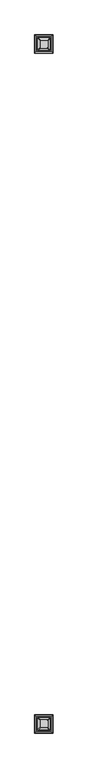
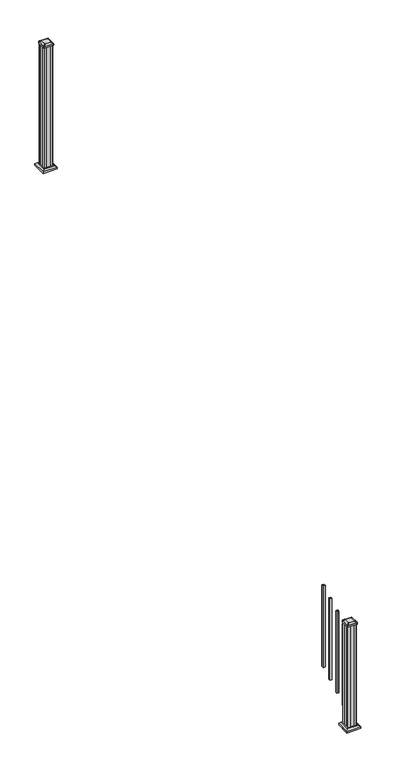
"""IFC4 building model written with IfcOpenShell, lengths in millimetres: railing geometry."""

from ifc_helpers import new_model, si_unit, point, frame, frame_2d, origin, place, context, project, spatial, polyline, circle_curve, trimmed, segment, composite_curve, outline, extrude, faceted_brep, source, transform, mapped, element, save
from ifc_brep_helpers import plane_surface, extruded_surface, advanced_brep


def railing_2ea7d256(model_context):
    return source(origin(), model_context, "Body", "SolidModel", [
        extrude(outline(polyline([(10350.3192659, 2155.5355319), (10331.2692659, 2155.5355319), (10331.2692659, 2174.5855319), (10350.3192659, 2174.5855319), (10350.3192659, 2155.5355319)]), holes=[polyline([(10349.9223909, 2155.9324069), (10349.9223909, 2174.1886569), (10331.6661409, 2174.1886569), (10331.6661409, 2155.9324069), (10349.9223909, 2155.9324069)])]), frame((0.0, 0.0, 485.4181003), z_axis=(0.0, 0.0, 1.0), x_axis=(1.0, 0.0, 0.0)), (0.0, 0.0, 1.0), 812.8041219),
        extrude(outline(polyline([(10350.3192659, 2044.2835319), (10331.2692659, 2044.2835319), (10331.2692659, 2063.3335319), (10350.3192659, 2063.3335319), (10350.3192659, 2044.2835319)]), holes=[polyline([(10349.9223909, 2044.6804069), (10349.9223909, 2062.9366569), (10331.6661409, 2062.9366569), (10331.6661409, 2044.6804069), (10349.9223909, 2044.6804069)])]), frame((0.0, 0.0, 423.6114336), z_axis=(0.0, 0.0, 1.0), x_axis=(1.0, 0.0, 0.0)), (0.0, 0.0, 1.0), 812.8041219),
        extrude(outline(polyline([(10350.3192659, 1933.0315319), (10331.2692659, 1933.0315319), (10331.2692659, 1952.0815319), (10350.3192659, 1952.0815319), (10350.3192659, 1933.0315319)]), holes=[polyline([(10349.9223909, 1933.4284069), (10349.9223909, 1951.6846569), (10331.6661409, 1951.6846569), (10331.6661409, 1933.4284069), (10349.9223909, 1933.4284069)])]), frame((0.0, 0.0, 361.804767), z_axis=(0.0, 0.0, 1.0), x_axis=(1.0, 0.0, 0.0)), (0.0, 0.0, 1.0), 812.8041219),
        extrude(outline(polyline([(10350.3192659, 1821.7795319), (10331.2692659, 1821.7795319), (10331.2692659, 1840.8295319), (10350.3192659, 1840.8295319), (10350.3192659, 1821.7795319)]), holes=[polyline([(10349.9223909, 1822.1764069), (10349.9223909, 1840.4326569), (10331.6661409, 1840.4326569), (10331.6661409, 1822.1764069), (10349.9223909, 1822.1764069)])]), frame((0.0, 0.0, 299.9981003), z_axis=(0.0, 0.0, 1.0), x_axis=(1.0, 0.0, 0.0)), (0.0, 0.0, 1.0), 812.8041219),
        extrude(outline(polyline([(10301.1067659, 6655.9075319), (10299.5192659, 6657.4950319), (10299.5192659, 6677.1165319), (10301.1067659, 6677.8785319), (10301.1067659, 6716.4865319), (10299.5192659, 6717.2485319), (10299.5192659, 6736.8700319), (10301.1067659, 6738.4575319), (10320.7282659, 6738.4575319), (10321.4902659, 6736.8700319), (10360.0982659, 6736.8700319), (10360.8602659, 6738.4575319), (10380.4817659, 6738.4575319), (10382.0692659, 6736.8700319), (10382.0692659, 6717.2485319), (10380.4817659, 6716.4865319), (10380.4817659, 6677.8785319), (10382.0692659, 6677.1165319), (10382.0692659, 6657.4950319), (10380.4817659, 6655.9075319), (10360.8602659, 6655.9075319), (10360.0982659, 6657.4950319), (10321.4902659, 6657.4950319), (10320.7282659, 6655.9075319), (10301.1067659, 6655.9075319)])), frame((0.0, 0.0, 2709.3333333), z_axis=(0.0, 0.0, 1.0), x_axis=(1.0, 0.0, 0.0)), (0.0, 0.0, 1.0), 1223.6987075),
        faceted_brep([(10393.3802034, 6644.5965944, 2737.9083333), (10393.3802034, 6749.7684694, 2737.9083333), (10288.2083284, 6749.7684694, 2737.9083333), (10288.2083284, 6644.5965944, 2737.9083333), (10407.4196565, 6630.5571413, 2724.5733333), (10274.1688753, 6630.5571413, 2724.5733333), (10274.1688753, 6763.8079225, 2724.5733333), (10407.4196565, 6763.8079225, 2724.5733333)], [[[0, 1, 2, 3]], [[4, 5, 6, 7]], [[4, 0, 3, 5]], [[5, 3, 2, 6]], [[6, 2, 1, 7]], [[7, 1, 0, 4]]]),
        extrude(outline(polyline([(10407.4196565, 6630.5571413), (10274.1688753, 6630.5571413), (10274.1688753, 6763.8079225), (10407.4196565, 6763.8079225), (10407.4196565, 6630.5571413)])), frame((0.0, 0.0, 2709.3333333), z_axis=(0.0, 0.0, 1.0), x_axis=(1.0, 0.0, 0.0)), (0.0, 0.0, 1.0), 15.24),
        advanced_brep(
        [(10314.9973909, 6668.2106569, 3961.6070408), (10366.5911409, 6668.2106569, 3961.6070408), (10369.7661409, 6671.3856569, 3961.6070408), (10369.7661409, 6722.9794069, 3961.6070408), (10366.5911409, 6726.1544069, 3961.6070408), (10314.9973909, 6726.1544069, 3961.6070408), (10311.8223909, 6722.9794069, 3961.6070408), (10311.8223909, 6671.3856569, 3961.6070408), (10298.7255159, 6651.9387819, 3950.3040408), (10295.5505159, 6655.1137819, 3950.3040408), (10295.5505159, 6739.2512819, 3950.3040408), (10298.7255159, 6742.4262819, 3950.3040408), (10382.8630159, 6742.4262819, 3950.3040408), (10386.0380159, 6739.2512819, 3950.3040408), (10386.0380159, 6655.1137819, 3950.3040408), (10382.8630159, 6651.9387819, 3950.3040408)],
        [
            (0, 1),
            (1, 2, circle_curve(frame((10366.5911409, 6671.3856569, 3961.6070408), z_axis=(0.0, 0.0, 1.0), x_axis=(0.0, 1.0, 0.0)), 3.175)),
            (2, 3),
            (3, 4, circle_curve(frame((10366.5911409, 6722.9794069, 3961.6070408), z_axis=(0.0, 0.0, 1.0), x_axis=(0.0, 1.0, 0.0)), 3.175)),
            (4, 5),
            (5, 6, circle_curve(frame((10314.9973909, 6722.9794069, 3961.6070408), z_axis=(0.0, 0.0, 1.0), x_axis=(0.0, 1.0, 0.0)), 3.175)),
            (6, 7),
            (7, 0, circle_curve(frame((10314.9973909, 6671.3856569, 3961.6070408), z_axis=(0.0, 0.0, 1.0), x_axis=(0.0, 1.0, 0.0)), 3.175)),
            (8, 9, circle_curve(frame((10298.7255159, 6655.1137819, 3950.3040408), z_axis=(0.0, 0.0, -1.0), x_axis=(0.0, 1.0, 0.0)), 3.175)),
            (9, 10),
            (10, 11, circle_curve(frame((10298.7255159, 6739.2512819, 3950.3040408), z_axis=(0.0, 0.0, -1.0), x_axis=(0.0, 1.0, 0.0)), 3.175)),
            (11, 12),
            (12, 13, circle_curve(frame((10382.8630159, 6739.2512819, 3950.3040408), z_axis=(0.0, 0.0, -1.0), x_axis=(0.0, 1.0, 0.0)), 3.175)),
            (13, 14),
            (14, 15, circle_curve(frame((10382.8630159, 6655.1137819, 3950.3040408), z_axis=(0.0, 0.0, -1.0), x_axis=(0.0, 1.0, 0.0)), 3.175)),
            (15, 8),
            (8, 0),
            (7, 9),
            (6, 10),
            (5, 11),
            (4, 12),
            (3, 13),
            (2, 14),
            (1, 15),
        ],
        [
            plane_surface(frame((10340.7942659, 6697.1825319, 3961.6070408), z_axis=(0.0, 0.0, 1.0), x_axis=(-1.0, 0.0, 0.0))),
            plane_surface(frame((10340.7942659, 6697.1825319, 3950.3040408), z_axis=(0.0, 0.0, -1.0), x_axis=(-1.0, 0.0, 0.0))),
            extruded_surface(trimmed(circle_curve(frame((10314.9973909, 6671.3856569, 3961.6070408), z_axis=(0.0, 0.0, -1.0), x_axis=(0.0, 1.0, 0.0)), 3.175), [point((10314.9973909, 6668.2106569, 3961.6070408))], [point((10311.8223909, 6671.3856569, 3961.6070408))], True, "CARTESIAN"), (-16.271875000000364, -16.271875000000364, -11.302999999999884), 25.63797263886657),
            plane_surface(frame((10295.5505159, 6697.1825319, 3950.3040408), z_axis=(-0.5705009161540686, 0.0, 0.8212969649690474), x_axis=(0.0, 1.0, 0.0))),
            extruded_surface(trimmed(circle_curve(frame((10314.9973909, 6722.9794069, 3961.6070408), z_axis=(0.0, 0.0, -1.0), x_axis=(0.0, 1.0, 0.0)), 3.175), [point((10311.8223909, 6722.9794069, 3961.6070408))], [point((10314.9973909, 6726.1544069, 3961.6070408))], True, "CARTESIAN"), (-16.271875000000364, 16.271875000000364, -11.302999999999884), 25.63797263886657),
            plane_surface(frame((10340.7942659, 6742.4262819, 3950.3040408), z_axis=(0.0, 0.5705009161540291, 0.8212969649690747), x_axis=(1.0, 0.0, 0.0))),
            extruded_surface(trimmed(circle_curve(frame((10366.5911409, 6722.9794069, 3961.6070408), z_axis=(0.0, 0.0, -1.0), x_axis=(0.0, 1.0, 0.0)), 3.175), [point((10366.5911409, 6726.1544069, 3961.6070408))], [point((10369.7661409, 6722.9794069, 3961.6070408))], True, "CARTESIAN"), (16.271875000000364, 16.271875000000364, -11.302999999999884), 25.63797263886657),
            plane_surface(frame((10386.0380159, 6697.1825319, 3950.3040408), z_axis=(0.5705009161540234, 0.0, 0.8212969649690787), x_axis=(0.0, -1.0, 0.0))),
            extruded_surface(trimmed(circle_curve(frame((10366.5911409, 6671.3856569, 3961.6070408), z_axis=(0.0, 0.0, -1.0), x_axis=(0.0, 1.0, 0.0)), 3.175), [point((10369.7661409, 6671.3856569, 3961.6070408))], [point((10366.5911409, 6668.2106569, 3961.6070408))], True, "CARTESIAN"), (16.271875000000364, -16.271875000000364, -11.302999999999884), 25.63797263886657),
            plane_surface(frame((10340.7942659, 6651.9387819, 3950.3040408), z_axis=(0.0, -0.570500916154034, 0.8212969649690713), x_axis=(-1.0, 0.0, 0.0))),
        ],
        [
            (0, [[1, 2, 3, 4, 5, 6, 7, 8]]),
            (1, [[9, 10, 11, 12, 13, 14, 15, 16]]),
            (2, [[17, -8, 18, -9]]),
            (3, [[-18, -7, 19, -10]]),
            (4, [[-19, -6, 20, -11]]),
            (5, [[-20, -5, 21, -12]]),
            (6, [[-21, -4, 22, -13]]),
            (7, [[-22, -3, 23, -14]]),
            (8, [[-23, -2, 24, -15]]),
            (9, [[-24, -1, -17, -16]]),
        ],
    ),
        extrude(outline(composite_curve([segment(trimmed(circle_curve(frame_2d((10298.7255159, 6655.1137819)), 3.175), [point((10298.7255159, 6651.9387819))], [point((10295.5505159, 6655.1137819))], False, "CARTESIAN"), True, "CONTINUOUS"), segment(polyline([(10295.5505159, 6655.1137819), (10295.5505159, 6739.2512819)]), True, "CONTINUOUS"), segment(trimmed(circle_curve(frame_2d((10298.7255159, 6739.2512819)), 3.175), [point((10295.5505159, 6739.2512819))], [point((10298.7255159, 6742.4262819))], False, "CARTESIAN"), True, "CONTINUOUS"), segment(polyline([(10298.7255159, 6742.4262819), (10382.8630159, 6742.4262819)]), True, "CONTINUOUS"), segment(trimmed(circle_curve(frame_2d((10382.8630159, 6739.2512819)), 3.175), [point((10382.8630159, 6742.4262819))], [point((10386.0380159, 6739.2512819))], False, "CARTESIAN"), True, "CONTINUOUS"), segment(polyline([(10386.0380159, 6739.2512819), (10386.0380159, 6655.1137819)]), True, "CONTINUOUS"), segment(trimmed(circle_curve(frame_2d((10382.8630159, 6655.1137819)), 3.175), [point((10386.0380159, 6655.1137819))], [point((10382.8630159, 6651.9387819))], False, "CARTESIAN"), True, "CONTINUOUS"), segment(polyline([(10382.8630159, 6651.9387819), (10298.7255159, 6651.9387819)]), True, "CONTINUOUS")], self_intersect=False)), frame((0.0, 0.0, 3933.0320408), z_axis=(0.0, 0.0, 1.0), x_axis=(1.0, 0.0, 0.0)), (0.0, 0.0, 1.0), 17.272),
        faceted_brep([(10393.3802034, 1684.9925944, 174.9072222), (10393.3802034, 1790.1644694, 174.9072222), (10288.2083284, 1790.1644694, 174.9072222), (10288.2083284, 1684.9925944, 174.9072222), (10407.4196565, 1670.9531413, 161.5722222), (10274.1688753, 1670.9531413, 161.5722222), (10274.1688753, 1804.2039225, 161.5722222), (10407.4196565, 1804.2039225, 161.5722222)], [[[0, 1, 2, 3]], [[4, 5, 6, 7]], [[4, 0, 3, 5]], [[5, 3, 2, 6]], [[6, 2, 1, 7]], [[7, 1, 0, 4]]]),
        extrude(outline(polyline([(10407.4196565, 1670.9531413), (10274.1688753, 1670.9531413), (10274.1688753, 1804.2039225), (10407.4196565, 1804.2039225), (10407.4196565, 1670.9531413)])), frame((0.0, 0.0, 146.3322222), z_axis=(0.0, 0.0, 1.0), x_axis=(1.0, 0.0, 0.0)), (0.0, 0.0, 1.0), 15.24),
        advanced_brep(
        [(10314.9973909, 1708.6066569, 1206.2714852), (10366.5911409, 1708.6066569, 1206.2714852), (10369.7661409, 1711.7816569, 1206.2714852), (10369.7661409, 1763.3754069, 1206.2714852), (10366.5911409, 1766.5504069, 1206.2714852), (10314.9973909, 1766.5504069, 1206.2714852), (10311.8223909, 1763.3754069, 1206.2714852), (10311.8223909, 1711.7816569, 1206.2714852), (10298.7255159, 1692.3347819, 1194.9684852), (10295.5505159, 1695.5097819, 1194.9684852), (10295.5505159, 1779.6472819, 1194.9684852), (10298.7255159, 1782.8222819, 1194.9684852), (10382.8630159, 1782.8222819, 1194.9684852), (10386.0380159, 1779.6472819, 1194.9684852), (10386.0380159, 1695.5097819, 1194.9684852), (10382.8630159, 1692.3347819, 1194.9684852)],
        [
            (0, 1),
            (1, 2, circle_curve(frame((10366.5911409, 1711.7816569, 1206.2714852), z_axis=(0.0, 0.0, 1.0), x_axis=(0.0, 1.0, 0.0)), 3.175)),
            (2, 3),
            (3, 4, circle_curve(frame((10366.5911409, 1763.3754069, 1206.2714852), z_axis=(0.0, 0.0, 1.0), x_axis=(0.0, 1.0, 0.0)), 3.175)),
            (4, 5),
            (5, 6, circle_curve(frame((10314.9973909, 1763.3754069, 1206.2714852), z_axis=(0.0, 0.0, 1.0), x_axis=(0.0, 1.0, 0.0)), 3.175)),
            (6, 7),
            (7, 0, circle_curve(frame((10314.9973909, 1711.7816569, 1206.2714852), z_axis=(0.0, 0.0, 1.0), x_axis=(0.0, 1.0, 0.0)), 3.175)),
            (8, 9, circle_curve(frame((10298.7255159, 1695.5097819, 1194.9684852), z_axis=(0.0, 0.0, -1.0), x_axis=(0.0, 1.0, 0.0)), 3.175)),
            (9, 10),
            (10, 11, circle_curve(frame((10298.7255159, 1779.6472819, 1194.9684852), z_axis=(0.0, 0.0, -1.0), x_axis=(0.0, 1.0, 0.0)), 3.175)),
            (11, 12),
            (12, 13, circle_curve(frame((10382.8630159, 1779.6472819, 1194.9684852), z_axis=(0.0, 0.0, -1.0), x_axis=(0.0, 1.0, 0.0)), 3.175)),
            (13, 14),
            (14, 15, circle_curve(frame((10382.8630159, 1695.5097819, 1194.9684852), z_axis=(0.0, 0.0, -1.0), x_axis=(0.0, 1.0, 0.0)), 3.175)),
            (15, 8),
            (8, 0),
            (7, 9),
            (6, 10),
            (5, 11),
            (4, 12),
            (3, 13),
            (2, 14),
            (1, 15),
        ],
        [
            plane_surface(frame((10340.7942659, 1737.5785319, 1206.2714852), z_axis=(0.0, 0.0, 1.0), x_axis=(-1.0, 0.0, 0.0))),
            plane_surface(frame((10340.7942659, 1737.5785319, 1194.9684852), z_axis=(0.0, 0.0, -1.0), x_axis=(-1.0, 0.0, 0.0))),
            extruded_surface(trimmed(circle_curve(frame((10314.9973909, 1711.7816569, 1206.2714852), z_axis=(0.0, 0.0, -1.0), x_axis=(0.0, 1.0, 0.0)), 3.175), [point((10314.9973909, 1708.6066569, 1206.2714852))], [point((10311.8223909, 1711.7816569, 1206.2714852))], True, "CARTESIAN"), (-16.271875000000364, -16.27187499999991, -11.302999999999884), 25.637972638866284),
            plane_surface(frame((10295.5505159, 1737.5785319, 1194.9684852), z_axis=(-0.5705009161540778, 0.0, 0.8212969649690408), x_axis=(0.0, 1.0, 0.0))),
            extruded_surface(trimmed(circle_curve(frame((10314.9973909, 1763.3754069, 1206.2714852), z_axis=(0.0, 0.0, -1.0), x_axis=(0.0, 1.0, 0.0)), 3.175), [point((10311.8223909, 1763.3754069, 1206.2714852))], [point((10314.9973909, 1766.5504069, 1206.2714852))], True, "CARTESIAN"), (-16.271875000000364, 16.271875000000136, -11.302999999999884), 25.637972638866426),
            plane_surface(frame((10340.7942659, 1782.8222819, 1194.9684852), z_axis=(0.0, 0.5705009161540291, 0.8212969649690747), x_axis=(1.0, 0.0, 0.0))),
            extruded_surface(trimmed(circle_curve(frame((10366.5911409, 1763.3754069, 1206.2714852), z_axis=(0.0, 0.0, -1.0), x_axis=(0.0, 1.0, 0.0)), 3.175), [point((10366.5911409, 1766.5504069, 1206.2714852))], [point((10369.7661409, 1763.3754069, 1206.2714852))], True, "CARTESIAN"), (16.271875000000364, 16.271875000000136, -11.302999999999884), 25.637972638866426),
            plane_surface(frame((10386.0380159, 1737.5785319, 1194.9684852), z_axis=(0.5705009161540142, 0.0, 0.8212969649690851), x_axis=(0.0, -1.0, 0.0))),
            extruded_surface(trimmed(circle_curve(frame((10366.5911409, 1711.7816569, 1206.2714852), z_axis=(0.0, 0.0, -1.0), x_axis=(0.0, 1.0, 0.0)), 3.175), [point((10369.7661409, 1711.7816569, 1206.2714852))], [point((10366.5911409, 1708.6066569, 1206.2714852))], True, "CARTESIAN"), (16.271875000000364, -16.27187499999991, -11.302999999999884), 25.637972638866284),
            plane_surface(frame((10340.7942659, 1692.3347819, 1194.9684852), z_axis=(0.0, -0.570500916154034, 0.8212969649690713), x_axis=(-1.0, 0.0, 0.0))),
        ],
        [
            (0, [[1, 2, 3, 4, 5, 6, 7, 8]]),
            (1, [[9, 10, 11, 12, 13, 14, 15, 16]]),
            (2, [[17, -8, 18, -9]]),
            (3, [[-18, -7, 19, -10]]),
            (4, [[-19, -6, 20, -11]]),
            (5, [[-20, -5, 21, -12]]),
            (6, [[-21, -4, 22, -13]]),
            (7, [[-22, -3, 23, -14]]),
            (8, [[-23, -2, 24, -15]]),
            (9, [[-24, -1, -17, -16]]),
        ],
    ),
        extrude(outline(composite_curve([segment(trimmed(circle_curve(frame_2d((10298.7255159, 1695.5097819)), 3.175), [point((10298.7255159, 1692.3347819))], [point((10295.5505159, 1695.5097819))], False, "CARTESIAN"), True, "CONTINUOUS"), segment(polyline([(10295.5505159, 1695.5097819), (10295.5505159, 1779.6472819)]), True, "CONTINUOUS"), segment(trimmed(circle_curve(frame_2d((10298.7255159, 1779.6472819)), 3.175), [point((10295.5505159, 1779.6472819))], [point((10298.7255159, 1782.8222819))], False, "CARTESIAN"), True, "CONTINUOUS"), segment(polyline([(10298.7255159, 1782.8222819), (10382.8630159, 1782.8222819)]), True, "CONTINUOUS"), segment(trimmed(circle_curve(frame_2d((10382.8630159, 1779.6472819)), 3.175), [point((10382.8630159, 1782.8222819))], [point((10386.0380159, 1779.6472819))], False, "CARTESIAN"), True, "CONTINUOUS"), segment(polyline([(10386.0380159, 1779.6472819), (10386.0380159, 1695.5097819)]), True, "CONTINUOUS"), segment(trimmed(circle_curve(frame_2d((10382.8630159, 1695.5097819)), 3.175), [point((10386.0380159, 1695.5097819))], [point((10382.8630159, 1692.3347819))], False, "CARTESIAN"), True, "CONTINUOUS"), segment(polyline([(10382.8630159, 1692.3347819), (10298.7255159, 1692.3347819)]), True, "CONTINUOUS")], self_intersect=False)), frame((0.0, 0.0, 1177.6964852), z_axis=(0.0, 0.0, 1.0), x_axis=(1.0, 0.0, 0.0)), (0.0, 0.0, 1.0), 17.272),
        extrude(outline(polyline([(10301.1067659, 1696.3035319), (10299.5192659, 1697.8910319), (10299.5192659, 1717.5125319), (10301.1067659, 1718.2745319), (10301.1067659, 1756.8825319), (10299.5192659, 1757.6445319), (10299.5192659, 1777.2660319), (10301.1067659, 1778.8535319), (10320.7282659, 1778.8535319), (10321.4902659, 1777.2660319), (10360.0982659, 1777.2660319), (10360.8602659, 1778.8535319), (10380.4817659, 1778.8535319), (10382.0692659, 1777.2660319), (10382.0692659, 1757.6445319), (10380.4817659, 1756.8825319), (10380.4817659, 1718.2745319), (10382.0692659, 1717.5125319), (10382.0692659, 1697.8910319), (10380.4817659, 1696.3035319), (10360.8602659, 1696.3035319), (10360.0982659, 1697.8910319), (10321.4902659, 1697.8910319), (10320.7282659, 1696.3035319), (10301.1067659, 1696.3035319)])), frame((0.0, 0.0, 146.3322222), z_axis=(0.0, 0.0, 1.0), x_axis=(1.0, 0.0, 0.0)), (0.0, 0.0, 1.0), 1031.364263),
    ])


if __name__ == "__main__":
    model = new_model("IFC4")
    model_context = context("Model", 3, world=origin())
    ifc_project = project(units=[si_unit("LENGTHUNIT", "METRE", prefix="MILLI")], contexts=[model_context])
    site = spatial("IfcSite", under=ifc_project)
    building = spatial("IfcBuilding", under=site)
    placement = place(None, origin())
    railing_shape = railing_2ea7d256(model_context)
    element("IfcRailing", 1, at=placement, inside=building, context=model_context, shape_type="MappedRepresentation", body=[
        mapped(railing_shape, transform((0.0, 0.0, 0.0), x_axis=(1.0, 0.0, 0.0), y_axis=(0.0, 1.0, 0.0), z_axis=(0.0, 0.0, 1.0))),
    ])
    save(model, "model.ifc")
